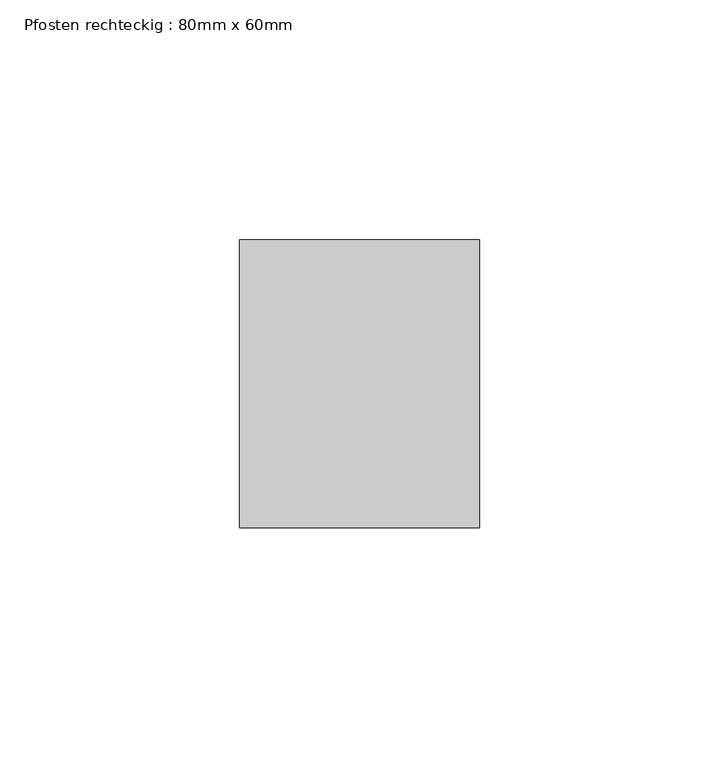
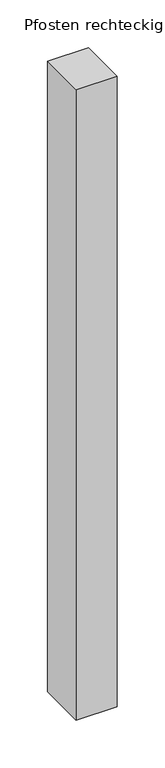
"""IFC4 building model written with IfcOpenShell, lengths in millimetres: member geometry, Pfosten rechteckig : 80mm x 60mm."""

from ifc_helpers import new_model, si_unit, frame, origin, place, context, project, spatial, polyline, outline, extrude, source, transform, mapped, element, save


def pfosten_rechteckig_80mm_x_60mm_7eb33ada(model_context):
    return source(origin(), model_context, "Body", "SweptSolid", [
        extrude(outline(polyline([(25.0, 30.0), (25.0, -30.0), (-25.0, -30.0), (-25.0, 30.0), (25.0, 30.0)])), frame((0.0, 0.0, -808.3333333), z_axis=(0.0, 0.0, 1.0), x_axis=(1.0, 0.0, 0.0)), (0.0, 0.0, 1.0), 808.3333333),
    ])


if __name__ == "__main__":
    model = new_model("IFC4")
    model_context = context("Model", 3, world=origin())
    ifc_project = project(units=[si_unit("LENGTHUNIT", "METRE", prefix="MILLI")], contexts=[model_context])
    site = spatial("IfcSite", under=ifc_project)
    building = spatial("IfcBuilding", under=site)
    placement = place(None, origin())
    pfosten_rechteckig_80mm_x_60mm_shape = pfosten_rechteckig_80mm_x_60mm_7eb33ada(model_context)
    element("IfcMember", 1, ObjectType="Pfosten rechteckig : 80mm x 60mm", at=placement, inside=building, context=model_context, shape_type="MappedRepresentation", body=[
        mapped(pfosten_rechteckig_80mm_x_60mm_shape, transform((0.0, 0.0, 0.0), x_axis=(1.0, 0.0, 0.0), y_axis=(0.0, 1.0, 0.0), z_axis=(0.0, 0.0, 1.0))),
    ])
    save(model, "model.ifc")
